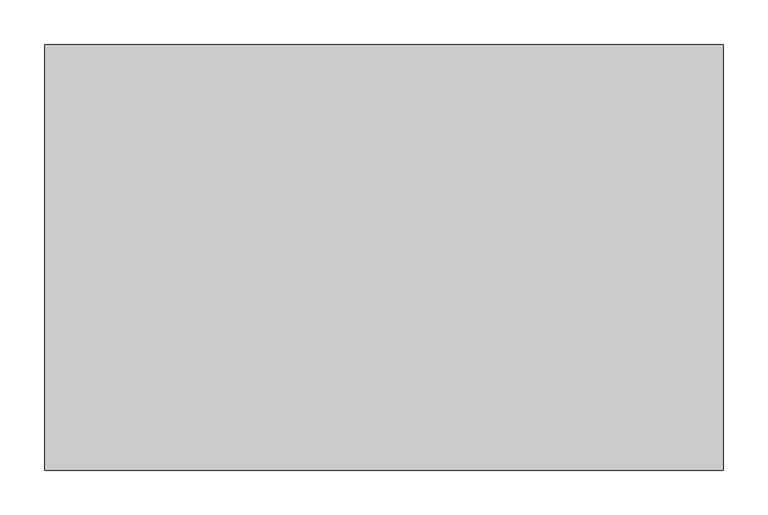
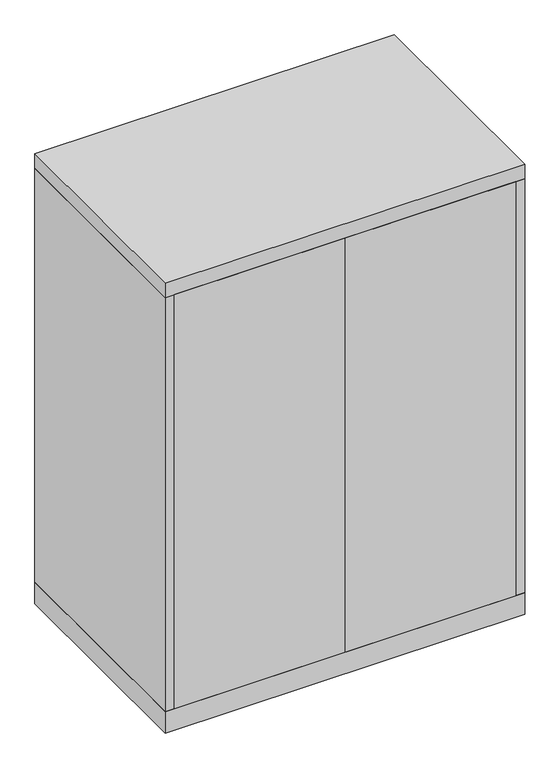
"""IFC4 building model written with IfcOpenShell, lengths in millimetres: furniture geometry."""

from ifc_helpers import new_model, si_unit, frame, origin, origin_with_axes, place, context, project, spatial, polyline, outline, extrude, source, transform, mapped, element, save


def furniture_81e8d4b6(model_context):
    return source(origin(), model_context, "Body", "SweptSolid", [
        extrude(outline(polyline([(-360.3625, -476.25), (-360.3625, -457.2), (0.0, -457.2), (0.0, -476.25), (-360.3625, -476.25)])), frame((0.0, 0.0, 47.625), z_axis=(0.0, 0.0, 1.0), x_axis=(1.0, 0.0, 0.0)), (0.0, 0.0, 1.0), 923.925),
        extrude(outline(polyline([(360.3625, -476.25), (0.0, -476.25), (0.0, -457.2), (360.3625, -457.2), (360.3625, -476.25)])), frame((0.0, 0.0, 47.625), z_axis=(0.0, 0.0, 1.0), x_axis=(1.0, 0.0, 0.0)), (0.0, 0.0, 1.0), 923.925),
        extrude(outline(polyline([(360.3625, -19.05), (360.3625, -457.2), (-360.3625, -457.2), (-360.3625, -19.05), (360.3625, -19.05)])), frame((0.0, 0.0, 654.05), z_axis=(0.0, 0.0, 1.0), x_axis=(1.0, 0.0, 0.0)), (0.0, 0.0, 1.0), 19.05),
        extrude(outline(polyline([(360.3625, -19.05), (360.3625, -457.2), (-360.3625, -457.2), (-360.3625, -19.05), (360.3625, -19.05)])), frame((0.0, 0.0, 346.075), z_axis=(0.0, 0.0, 1.0), x_axis=(1.0, 0.0, 0.0)), (0.0, 0.0, 1.0), 19.05),
        extrude(outline(polyline([(379.4125, 0.0), (379.4125, -476.25), (-379.4125, -476.25), (-379.4125, 0.0), (379.4125, 0.0)])), origin_with_axes(), (0.0, 0.0, 1.0), 47.625),
        extrude(outline(polyline([(379.4125, 0.0), (379.4125, -476.25), (-379.4125, -476.25), (-379.4125, 0.0), (379.4125, 0.0)])), frame((0.0, 0.0, 971.55), z_axis=(0.0, 0.0, 1.0), x_axis=(1.0, 0.0, 0.0)), (0.0, 0.0, 1.0), 31.75),
        extrude(outline(polyline([(379.4125, 0.0), (379.4125, -476.25), (360.3625, -476.25), (360.3625, -19.05), (-360.3625, -19.05), (-360.3625, -476.25), (-379.4125, -476.25), (-379.4125, 0.0), (379.4125, 0.0)])), frame((0.0, 0.0, 47.625), z_axis=(0.0, 0.0, 1.0), x_axis=(1.0, 0.0, 0.0)), (0.0, 0.0, 1.0), 923.925),
    ])


if __name__ == "__main__":
    model = new_model("IFC4")
    model_context = context("Model", 3, world=origin())
    ifc_project = project(units=[si_unit("LENGTHUNIT", "METRE", prefix="MILLI")], contexts=[model_context])
    site = spatial("IfcSite", under=ifc_project)
    building = spatial("IfcBuilding", under=site)
    placement = place(None, origin())
    furniture_shape = furniture_81e8d4b6(model_context)
    element("IfcFurniture", 1, at=placement, inside=building, context=model_context, shape_type="MappedRepresentation", body=[
        mapped(furniture_shape, transform((0.0, 0.0, 0.0), x_axis=(1.0, 0.0, 0.0), y_axis=(0.0, 1.0, 0.0), z_axis=(0.0, 0.0, 1.0))),
    ])
    save(model, "model.ifc")
